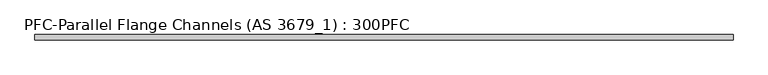
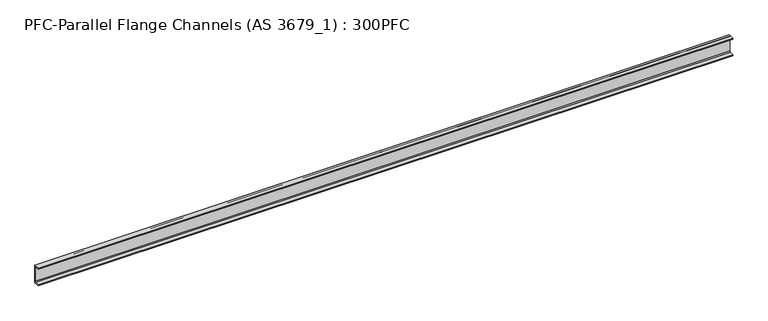
"""IFC4 building model written with IfcOpenShell, lengths in millimetres: beam geometry, PFC-Parallel Flange Channels (AS 3679_1) : 300PFC."""

from ifc_helpers import new_model, si_unit, point, frame, frame_2d, origin, place, context, project, spatial, polyline, circle_curve, trimmed, segment, composite_curve, outline, extrude, source, transform, mapped, element, save


def pfc_parallel_flange_channels_as_3679_1_300pfc_b328f68c(model_context):
    return source(origin(), model_context, "Body", "SweptSolid", [
        extrude(outline(composite_curve([segment(polyline([(27.2, 150.0), (27.2, -150.0), (-62.8, -150.0), (-62.8, -134.0), (5.2, -134.0)]), True, "CONTINUOUS"), segment(trimmed(circle_curve(frame_2d((5.2, -120.0)), 14.0), [point((5.2, -134.0))], [point((19.2, -120.0))], True, "CARTESIAN"), True, "CONTINUOUS"), segment(polyline([(19.2, -120.0), (19.2, 120.0)]), True, "CONTINUOUS"), segment(trimmed(circle_curve(frame_2d((5.2, 120.0)), 14.0), [point((19.2, 120.0))], [point((5.2, 134.0))], True, "CARTESIAN"), True, "CONTINUOUS"), segment(polyline([(5.2, 134.0), (-62.8, 134.0), (-62.8, 150.0), (27.2, 150.0)]), True, "CONTINUOUS")], self_intersect=False)), frame((-5642.75, 0.0, 0.0), z_axis=(1.0, 0.0, 0.0), x_axis=(0.0, 1.0, 0.0)), (0.0, 0.0, 1.0), 11285.5),
    ])


if __name__ == "__main__":
    model = new_model("IFC4")
    model_context = context("Model", 3, world=origin())
    ifc_project = project(units=[si_unit("LENGTHUNIT", "METRE", prefix="MILLI")], contexts=[model_context])
    site = spatial("IfcSite", under=ifc_project)
    building = spatial("IfcBuilding", under=site)
    placement = place(None, origin())
    pfc_parallel_flange_channels_as_3679_1_300pfc_shape = pfc_parallel_flange_channels_as_3679_1_300pfc_b328f68c(model_context)
    element("IfcBeam", 1, ObjectType="PFC-Parallel Flange Channels (AS 3679_1) : 300PFC", at=placement, inside=building, context=model_context, shape_type="MappedRepresentation", body=[
        mapped(pfc_parallel_flange_channels_as_3679_1_300pfc_shape, transform((0.0, 0.0, 0.0), x_axis=(1.0, 0.0, 0.0), y_axis=(0.0, 1.0, 0.0), z_axis=(0.0, 0.0, 1.0))),
    ])
    save(model, "model.ifc")
